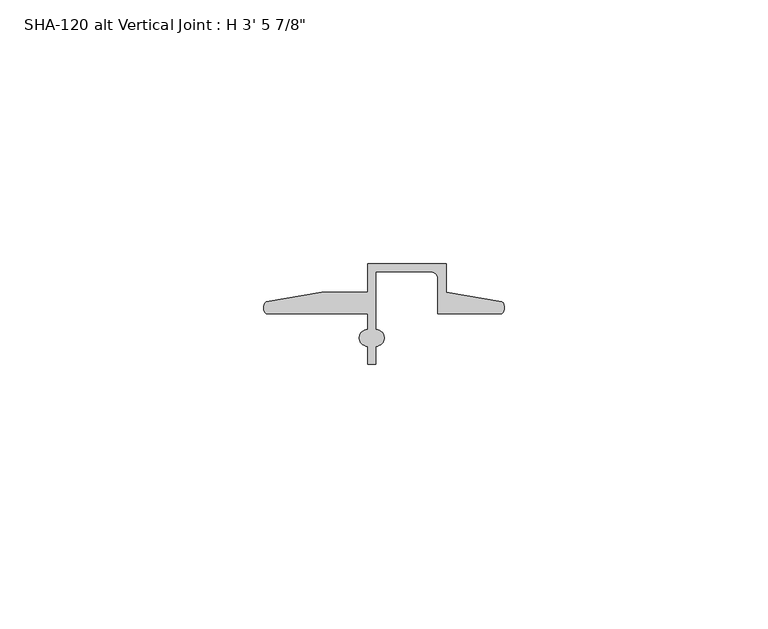
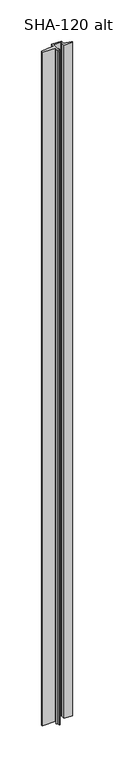
"""IFC4 building model written with IfcOpenShell, lengths in millimetres: proxy geometry."""

from ifc_helpers import new_model, si_unit, point, frame_2d, origin, origin_with_axes, place, context, project, spatial, polyline, circle_curve, trimmed, segment, composite_curve, outline, extrude, source, transform, mapped, element, save


def proxy_68c8b57e(model_context):
    return source(origin(), model_context, "Body", "SweptSolid", [
        extrude(outline(composite_curve([segment(trimmed(circle_curve(frame_2d((1.6155848, 11.7336765)), 1.6162393), [point((0.5248271, 10.541))], [point((0.4587433, 12.8623692))], False, "CARTESIAN"), True, "CONTINUOUS"), segment(polyline([(0.4587433, 12.8623692), (11.0348302, 14.673343), (19.7299797, 14.673343), (19.7299797, 20.0914), (34.6397797, 20.0914), (34.6397797, 14.698743), (45.2158666, 12.8877692)]), True, "CONTINUOUS"), segment(trimmed(circle_curve(frame_2d((44.0583525, 11.7590956)), 1.6167075), [point((45.2158666, 12.8877692))], [point((45.1497828, 10.5664))], False, "CARTESIAN"), True, "CONTINUOUS"), segment(polyline([(45.1497828, 10.5664), (33.0649797, 10.5664), (33.0649797, 17.2466)]), True, "CONTINUOUS"), segment(trimmed(circle_curve(frame_2d((31.7949797, 17.2466)), 1.27), [point((33.0649797, 17.2466))], [point((31.7949797, 18.5166))], True, "CARTESIAN"), True, "CONTINUOUS"), segment(polyline([(31.7949797, 18.5166), (21.3047797, 18.5166), (21.3047797, 7.5765422)]), True, "CONTINUOUS"), segment(trimmed(circle_curve(frame_2d((21.3047797, 6.0017422)), 1.5748), [point((21.3047797, 7.5765422))], [point((21.3047797, 4.4269422))], False, "CARTESIAN"), True, "CONTINUOUS"), segment(polyline([(21.3047797, 4.4269422), (21.3047797, 1.0414), (19.7299794, 1.0414), (19.7299794, 4.4269422)]), True, "CONTINUOUS"), segment(trimmed(circle_curve(frame_2d((19.7299794, 6.0017422)), 1.5748), [point((19.7299794, 4.4269422))], [point((19.7299794, 7.5765422))], False, "CARTESIAN"), True, "CONTINUOUS"), segment(polyline([(19.7299794, 7.5765422), (19.7299794, 10.541), (0.5248271, 10.541)]), True, "CONTINUOUS")], self_intersect=False)), origin_with_axes(), (0.0, 0.0, 1.0), 1063.625),
    ])


if __name__ == "__main__":
    model = new_model("IFC4")
    model_context = context("Model", 3, world=origin())
    ifc_project = project(units=[si_unit("LENGTHUNIT", "METRE", prefix="MILLI")], contexts=[model_context])
    site = spatial("IfcSite", under=ifc_project)
    building = spatial("IfcBuilding", under=site)
    placement = place(None, origin())
    proxy_shape = proxy_68c8b57e(model_context)
    element("IfcBuildingElementProxy", 1, Name="SHA-120 alt Vertical Joint : H 3' 5 7/8\"", ObjectType="SHA-120 alt Vertical Joint : H 3' 5 7/8\"", at=placement, inside=building, context=model_context, shape_type="MappedRepresentation", body=[
        mapped(proxy_shape, transform((0.0, 0.0, 0.0), x_axis=(1.0, 0.0, 0.0), y_axis=(0.0, 1.0, 0.0), z_axis=(0.0, 0.0, 1.0))),
    ])
    save(model, "model.ifc")
